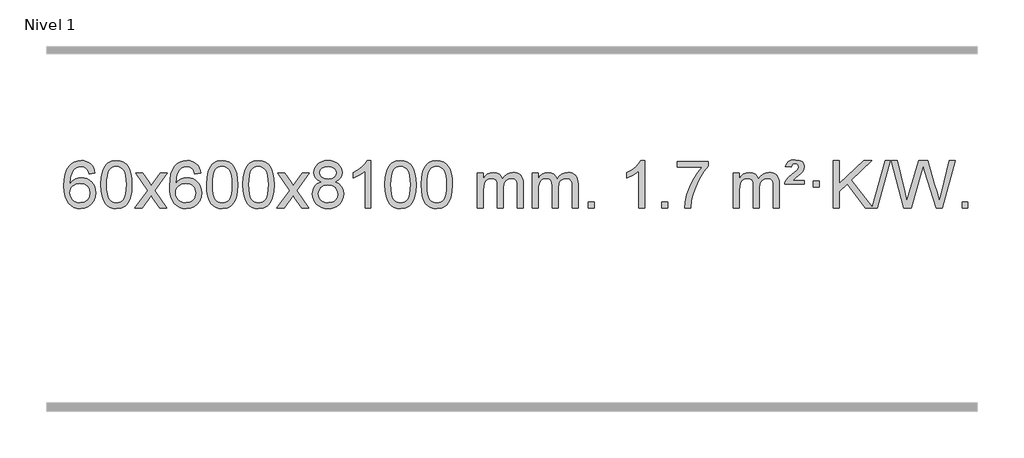
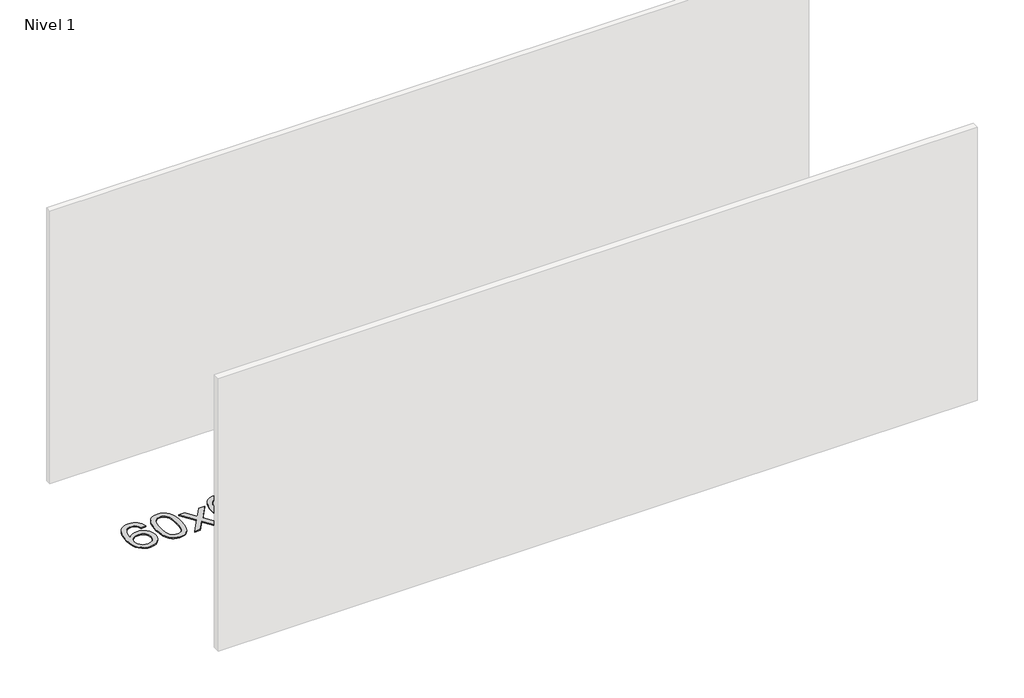
# One storey, part 12 of 16: 1 proxy.
"""IFC4 building model written with IfcOpenShell, lengths in millimetres."""

from ifc_helpers import new_model, si_unit, origin, origin_with_axes, place, context, project, spatial, polyline, outline, extrude, element, save

model = new_model("IFC4")

# Units and contexts
model_context = context("Model", 3, world=origin())
ifc_project = project(units=[si_unit("LENGTHUNIT", "METRE", prefix="MILLI")], contexts=[model_context])

# Site, building, storey
site = spatial("IfcSite", under=ifc_project)
building = spatial("IfcBuilding", under=site)
storey = spatial("IfcBuildingStorey", under=building, Name="Nivel 1", Elevation=0.0)

# Proxy
placement = place(None, origin())
element("IfcBuildingElementProxy", 1, Name="Texto de modelo 1", ObjectType="Texto de modelo 1", at=placement, inside=storey, context=model_context, shape_type="SweptSolid", body=[
    extrude(outline(polyline([(179.7310766, -6125.4890419), (129.5029215, -6131.7675613), (121.4095176, -6106.874213), (110.4711596, -6089.8780648), (87.6870014, -6074.2062918), (60.1449027, -6068.9823675), (36.7966587, -6072.0235253), (14.8218409, -6081.1469988), (-4.0505055, -6100.3627017), (-19.4647611, -6126.8134171), (-29.8758215, -6164.227016), (-33.7385825, -6216.3313693), (-13.5909119, -6192.8237098), (10.5544098, -6176.2567573), (37.3484817, -6166.434308), (65.4424034, -6163.1601582), (89.5754623, -6165.398107), (111.8445858, -6172.1119534), (132.2497738, -6183.3016975), (150.7910263, -6198.9673391), (166.1991505, -6218.1769106), (177.2049536, -6239.9984443), (183.8084354, -6264.4319401), (186.009596, -6291.4773982), (181.8647922, -6327.4439945), (169.4303807, -6360.786366), (149.7364313, -6389.0642287), (123.8130133, -6409.8372987), (92.8373493, -6422.602804), (57.9866617, -6426.8579724), (28.0441329, -6424.0375437), (1.0017406, -6415.5762579), (-23.1405153, -6401.4741147), (-44.3826349, -6381.7311143), (-61.7006798, -6355.5133908), (-74.0707119, -6321.9870783), (-81.4927311, -6281.1521768), (-83.9667375, -6233.0086864), (-81.2198853, -6179.0342663), (-72.9793286, -6132.9693092), (-59.2450675, -6094.8138149), (-40.0171019, -6064.5677835), (-19.1765868, -6044.5243462), (4.9871289, -6030.2076052), (32.4740453, -6021.6175606), (63.2841624, -6018.7542124), (86.4178085, -6020.5261773), (107.3564254, -6025.8420722), (126.1000131, -6034.7018969), (142.6485715, -6047.1056515), (156.5545109, -6062.6364031), (167.3702416, -6080.8772186), (175.0957635, -6101.8280983), (179.7310766, -6125.4890419)]), holes=[polyline([(-33.7385825, -6290.6925832), (-30.8323147, -6312.9494439), (-22.1135114, -6334.2007605), (-8.575454, -6352.472233), (8.7885762, -6365.7895612), (29.7455872, -6373.9197533), (54.062587, -6376.6298173), (87.2087548, -6371.0134855), (101.1238913, -6363.9930708), (113.2670628, -6354.1644901), (123.1171032, -6341.9262824), (130.1528464, -6327.6769865), (135.7814409, -6293.1451299), (130.2264228, -6259.9989621), (123.2826501, -6246.3781312), (113.5613684, -6234.725469), (101.3814087, -6225.3904634), (87.061602, -6218.7226022), (52.0024479, -6213.3883133), (18.905331, -6218.7226022), (-8.7716577, -6234.725469), (-19.6946873, -6246.2248471), (-27.4968513, -6259.3858254), (-32.1781497, -6274.2084042), (-33.7385825, -6290.6925832)])]), origin_with_axes(), (0.0, 0.0, 1.0), 10.0),
    extrude(outline(polyline([(229.9592317, -6222.9041943), (233.6503144, -6158.5861588), (244.7235624, -6107.2911459), (263.0686112, -6068.2343407), (274.9266742, -6053.0009605), (288.5750962, -6040.6309284), (304.0598626, -6031.0598651), (321.4269584, -6024.2233914), (361.8081387, -6018.7542124), (392.7592773, -6021.991574), (420.4730542, -6031.7036586), (443.6496199, -6047.5103217), (460.9891246, -6069.0314184), (474.0857237, -6096.0830078), (484.5335723, -6128.4811488), (491.3761774, -6169.6226186), (493.6570458, -6222.9041943), (490.0027513, -6286.8543477), (479.0398679, -6338.0267333), (460.8051836, -6377.1203266), (448.9747118, -6392.3996922), (435.3354868, -6404.8341036), (419.8323264, -6414.4695462), (402.4100483, -6421.3520052), (361.8081387, -6426.8579724), (334.1434127, -6424.4667394), (309.6179464, -6417.2930405), (288.2317397, -6405.3368757), (269.9847927, -6388.5982449), (252.4736098, -6358.3399508), (239.9656219, -6320.6381776), (232.4608292, -6275.4929255), (229.9592317, -6222.9041943)]), holes=[polyline([(280.1873867, -6222.8060924), (281.6589147, -6266.4706195), (286.0734987, -6301.8148822), (293.4311386, -6328.8388804), (303.7318344, -6347.5426142), (316.1907713, -6360.2682656), (330.0231344, -6369.3580165), (345.2289235, -6374.8118671), (361.8081387, -6376.6298173), (378.387354, -6374.8057357), (393.5931431, -6369.3334911), (407.4255061, -6360.2130833), (419.8844431, -6347.4445124), (430.1851389, -6328.7101217), (437.5427788, -6301.6922549), (441.9573628, -6266.3909118), (443.4288907, -6222.8060924), (442.0064137, -6180.2973278), (437.7389826, -6145.5753989), (430.6265973, -6118.6403055), (420.669258, -6099.4920476), (408.4187875, -6086.1440625), (394.427009, -6076.6097875), (378.6939223, -6070.8892225), (361.2195276, -6068.9823675), (344.7261514, -6070.6623619), (329.7778797, -6075.7023452), (316.3747123, -6084.1023175), (304.5166494, -6095.8622786), (293.872597, -6116.708925), (286.2697024, -6144.8151094), (281.7079657, -6180.1808319), (280.1873867, -6222.8060924)])]), origin_with_axes(), (0.0, 0.0, 1.0), 10.0),
    extrude(outline(polyline([(518.7711234, -6420.579453), (626.0945641, -6272.2494325), (525.0496427, -6125.4890419), (585.4803918, -6125.4890419), (634.2370189, -6196.122385), (656.9966517, -6229.4770192), (676.7151266, -6202.2047007), (732.2407824, -6125.4890419), (792.6715315, -6125.4890419), (686.5253132, -6272.2494325), (788.7474569, -6420.579453), (728.3167078, -6420.579453), (666.8068382, -6331.4048574), (655.5251237, -6315.1199477), (579.2018724, -6420.579453), (518.7711234, -6420.579453)])), origin_with_axes(), (0.0, 0.0, 1.0), 10.0),
    extrude(outline(polyline([(1077.5593486, -6125.4890419), (1027.3311935, -6131.7675613), (1019.2377896, -6106.874213), (1008.2994316, -6089.8780648), (985.5152734, -6074.2062918), (957.9731747, -6068.9823675), (934.6249307, -6072.0235253), (912.6501129, -6081.1469988), (893.7777665, -6100.3627017), (878.3635109, -6126.8134171), (867.9524504, -6164.227016), (864.0896895, -6216.3313693), (884.2373601, -6192.8237098), (908.3826817, -6176.2567573), (935.1767537, -6166.434308), (963.2706754, -6163.1601582), (987.4037343, -6165.398107), (1009.6728577, -6172.1119534), (1030.0780457, -6183.3016975), (1048.6192983, -6198.9673391), (1064.0274225, -6218.1769106), (1075.0332255, -6239.9984443), (1081.6367073, -6264.4319401), (1083.8378679, -6291.4773982), (1079.6930641, -6327.4439945), (1067.2586527, -6360.786366), (1047.5647032, -6389.0642287), (1021.6412853, -6409.8372987), (990.6656213, -6422.602804), (955.8149336, -6426.8579724), (925.8724049, -6424.0375437), (898.8300126, -6415.5762579), (874.6877566, -6401.4741147), (853.4456371, -6381.7311143), (836.1275922, -6355.5133908), (823.7575601, -6321.9870783), (816.3355408, -6281.1521768), (813.8615344, -6233.0086864), (816.6083866, -6179.0342663), (824.8489433, -6132.9693092), (838.5832045, -6094.8138149), (857.8111701, -6064.5677835), (878.6516851, -6044.5243462), (902.8154009, -6030.2076052), (930.3023173, -6021.6175606), (961.1124344, -6018.7542124), (984.2460805, -6020.5261773), (1005.1846974, -6025.8420722), (1023.928285, -6034.7018969), (1040.4768434, -6047.1056515), (1054.3827829, -6062.6364031), (1065.1985135, -6080.8772186), (1072.9240354, -6101.8280983), (1077.5593486, -6125.4890419)]), holes=[polyline([(864.0896895, -6290.6925832), (866.9959573, -6312.9494439), (875.7147605, -6334.2007605), (889.252818, -6352.472233), (906.6168481, -6365.7895612), (927.5738591, -6373.9197533), (951.890859, -6376.6298173), (985.0370268, -6371.0134855), (998.9521632, -6363.9930708), (1011.0953348, -6354.1644901), (1020.9453752, -6341.9262824), (1027.9811183, -6327.6769865), (1033.6097129, -6293.1451299), (1028.0546947, -6259.9989621), (1021.1109221, -6246.3781312), (1011.3896404, -6234.725469), (999.2096806, -6225.3904634), (984.889874, -6218.7226022), (949.8307198, -6213.3883133), (916.733603, -6218.7226022), (889.0566142, -6234.725469), (878.1335847, -6246.2248471), (870.3314207, -6259.3858254), (865.6501223, -6274.2084042), (864.0896895, -6290.6925832)])]), origin_with_axes(), (0.0, 0.0, 1.0), 10.0),
    extrude(outline(polyline([(1127.7875036, -6222.9041943), (1131.4785863, -6158.5861588), (1142.5518344, -6107.2911459), (1160.8968832, -6068.2343407), (1172.7549462, -6053.0009605), (1186.4033682, -6040.6309284), (1201.8881345, -6031.0598651), (1219.2552304, -6024.2233914), (1259.6364107, -6018.7542124), (1290.5875492, -6021.991574), (1318.3013262, -6031.7036586), (1341.4778919, -6047.5103217), (1358.8173966, -6069.0314184), (1371.9139956, -6096.0830078), (1382.3618443, -6128.4811488), (1389.2044494, -6169.6226186), (1391.4853178, -6222.9041943), (1387.8310233, -6286.8543477), (1376.8681398, -6338.0267333), (1358.6334556, -6377.1203266), (1346.8029838, -6392.3996922), (1333.1637588, -6404.8341036), (1317.6605984, -6414.4695462), (1300.2383202, -6421.3520052), (1259.6364107, -6426.8579724), (1231.9716847, -6424.4667394), (1207.4462183, -6417.2930405), (1186.0600117, -6405.3368757), (1167.8130647, -6388.5982449), (1150.3018817, -6358.3399508), (1137.7938939, -6320.6381776), (1130.2891012, -6275.4929255), (1127.7875036, -6222.9041943)]), holes=[polyline([(1178.0156587, -6222.8060924), (1179.4871867, -6266.4706195), (1183.9017706, -6301.8148822), (1191.2594105, -6328.8388804), (1201.5601064, -6347.5426142), (1214.0190433, -6360.2682656), (1227.8514063, -6369.3580165), (1243.0571955, -6374.8118671), (1259.6364107, -6376.6298173), (1276.215626, -6374.8057357), (1291.4214151, -6369.3334911), (1305.2537781, -6360.2130833), (1317.712715, -6347.4445124), (1328.0134109, -6328.7101217), (1335.3710508, -6301.6922549), (1339.7856347, -6266.3909118), (1341.2571627, -6222.8060924), (1339.8346857, -6180.2973278), (1335.5672545, -6145.5753989), (1328.4548693, -6118.6403055), (1318.4975299, -6099.4920476), (1306.2470595, -6086.1440625), (1292.2552809, -6076.6097875), (1276.5221943, -6070.8892225), (1259.0477995, -6068.9823675), (1242.5544234, -6070.6623619), (1227.6061517, -6075.7023452), (1214.2029843, -6084.1023175), (1202.3449213, -6095.8622786), (1191.7008689, -6116.708925), (1184.0979744, -6144.8151094), (1179.5362376, -6180.1808319), (1178.0156587, -6222.8060924)])]), origin_with_axes(), (0.0, 0.0, 1.0), 10.0),
    extrude(outline(polyline([(1435.4349535, -6222.9041943), (1439.1260362, -6158.5861588), (1450.1992842, -6107.2911459), (1468.544333, -6068.2343407), (1480.402396, -6053.0009605), (1494.050818, -6040.6309284), (1509.5355843, -6031.0598651), (1526.9026802, -6024.2233914), (1567.2838605, -6018.7542124), (1598.2349991, -6021.991574), (1625.948776, -6031.7036586), (1649.1253417, -6047.5103217), (1666.4648464, -6069.0314184), (1679.5614455, -6096.0830078), (1690.0092941, -6128.4811488), (1696.8518992, -6169.6226186), (1699.1327676, -6222.9041943), (1695.4784731, -6286.8543477), (1684.5155897, -6338.0267333), (1666.2809054, -6377.1203266), (1654.4504336, -6392.3996922), (1640.8112086, -6404.8341036), (1625.3080482, -6414.4695462), (1607.8857701, -6421.3520052), (1567.2838605, -6426.8579724), (1539.6191345, -6424.4667394), (1515.0936682, -6417.2930405), (1493.7074615, -6405.3368757), (1475.4605145, -6388.5982449), (1457.9493316, -6358.3399508), (1445.4413437, -6320.6381776), (1437.936551, -6275.4929255), (1435.4349535, -6222.9041943)]), holes=[polyline([(1485.6631085, -6222.8060924), (1487.1346365, -6266.4706195), (1491.5492205, -6301.8148822), (1498.9068604, -6328.8388804), (1509.2075562, -6347.5426142), (1521.6664931, -6360.2682656), (1535.4988562, -6369.3580165), (1550.7046453, -6374.8118671), (1567.2838605, -6376.6298173), (1583.8630758, -6374.8057357), (1599.0688649, -6369.3334911), (1612.9012279, -6360.2130833), (1625.3601648, -6347.4445124), (1635.6608607, -6328.7101217), (1643.0185006, -6301.6922549), (1647.4330846, -6266.3909118), (1648.9046125, -6222.8060924), (1647.4821355, -6180.2973278), (1643.2147043, -6145.5753989), (1636.1023191, -6118.6403055), (1626.1449798, -6099.4920476), (1613.8945093, -6086.1440625), (1599.9027308, -6076.6097875), (1584.1696441, -6070.8892225), (1566.6952493, -6068.9823675), (1550.2018732, -6070.6623619), (1535.2536015, -6075.7023452), (1521.8504341, -6084.1023175), (1509.9923712, -6095.8622786), (1499.3483188, -6116.708925), (1491.7454242, -6144.8151094), (1487.1836875, -6180.1808319), (1485.6631085, -6222.8060924)])]), origin_with_axes(), (0.0, 0.0, 1.0), 10.0),
    extrude(outline(polyline([(1724.2468452, -6420.579453), (1831.5702859, -6272.2494325), (1730.5253645, -6125.4890419), (1790.9561136, -6125.4890419), (1839.7127407, -6196.122385), (1862.4723735, -6229.4770192), (1882.1908484, -6202.2047007), (1937.7165042, -6125.4890419), (1998.1472533, -6125.4890419), (1892.001035, -6272.2494325), (1994.2231787, -6420.579453), (1933.7924296, -6420.579453), (1872.28256, -6331.4048574), (1861.0008455, -6315.1199477), (1784.6775942, -6420.579453), (1724.2468452, -6420.579453)])), origin_with_axes(), (0.0, 0.0, 1.0), 10.0),
    extrude(outline(polyline([(2098.7997672, -6199.2616447), (2071.9075933, -6186.0178929), (2053.035247, -6168.0652515), (2041.8884225, -6145.7716026), (2038.1728144, -6119.5048281), (2040.1961653, -6099.0199324), (2046.2662183, -6080.2395565), (2056.3829731, -6063.1637006), (2070.5464299, -6047.7923645), (2088.076007, -6035.088173), (2108.2911226, -6026.0137504), (2131.1917768, -6020.5690969), (2156.7779696, -6018.7542124), (2182.4867897, -6020.6120165), (2205.5591222, -6026.1854287), (2225.994967, -6035.4744491), (2243.7943242, -6048.4790776), (2258.2152984, -6064.1508506), (2268.5159943, -6081.4413044), (2274.6964118, -6100.3504389), (2276.756551, -6120.8782543), (2273.0899938, -6146.2989001), (2262.0903221, -6168.2124043), (2243.6349087, -6186.0546811), (2217.6011261, -6199.2616447), (2248.5154765, -6215.1909351), (2271.0175918, -6238.6495436), (2284.7395903, -6268.5092989), (2289.3135897, -6303.6420295), (2287.0449841, -6328.6947933), (2280.2391672, -6351.6628926), (2268.896139, -6372.5463272), (2253.0158996, -6391.3450971), (2233.4323147, -6406.88198), (2210.9792502, -6417.9797536), (2185.6567062, -6424.6384177), (2157.4646827, -6426.8579724), (2129.2726591, -6424.6292206), (2103.9501151, -6417.9429654), (2081.4970507, -6406.7992066), (2061.9134658, -6391.1979443), (2046.0332263, -6372.26735), (2034.6901981, -6351.135595), (2027.8843812, -6327.8026795), (2025.6157756, -6302.2686033), (2030.3737161, -6265.7747094), (2044.6475375, -6235.7555386), (2067.7014758, -6213.2411605), (2098.7997672, -6199.2616447)]), holes=[polyline([(2088.4009694, -6120.9763561), (2092.8523416, -6142.902123), (2106.206458, -6160.413306), (2128.0709113, -6171.8912243), (2158.0532939, -6175.717197), (2187.3367007, -6171.9157497), (2208.8700601, -6160.5114079), (2222.113812, -6143.5888361), (2226.5283959, -6123.232699), (2221.9666592, -6102.1040098), (2208.2814489, -6084.629615), (2186.4537839, -6072.8941794), (2157.4646827, -6068.9823675), (2128.2916405, -6072.8083402), (2106.5007636, -6084.2862585), (2092.925918, -6101.1107284), (2088.4009694, -6120.9763561)]), polyline([(2075.8439307, -6300.5027698), (2077.940858, -6319.7184726), (2084.2316402, -6338.3210389), (2095.8444485, -6354.5446349), (2113.9074544, -6366.623427), (2135.5389158, -6374.1282197), (2157.8570901, -6376.6298173), (2192.0455902, -6371.3691048), (2205.9392669, -6364.7932141), (2217.699228, -6355.5869672), (2233.738883, -6331.6869002), (2239.0854347, -6302.0723996), (2233.5672047, -6271.9551269), (2217.012515, -6247.5277625), (2204.9337228, -6238.0854579), (2190.770266, -6231.3409547), (2156.1893584, -6225.9453521), (2122.4791049, -6231.2673783), (2108.7417781, -6237.919911), (2097.0829845, -6247.2334569), (2081.1536941, -6271.1948375), (2075.8439307, -6300.5027698)])]), origin_with_axes(), (0.0, 0.0, 1.0), 10.0),
    extrude(outline(polyline([(2521.618807, -6420.579453), (2471.3906519, -6420.579453), (2471.3906519, -6107.4382987), (2450.4213782, -6124.3976587), (2423.8112472, -6141.3324932), (2370.9343417, -6166.6918254), (2370.9343417, -6119.2105225), (2410.3835544, -6097.7507395), (2444.5597917, -6072.219729), (2471.5010165, -6045.0700378), (2489.2451914, -6018.7542124), (2521.618807, -6018.7542124), (2521.618807, -6420.579453)])), origin_with_axes(), (0.0, 0.0, 1.0), 10.0),
    extrude(outline(polyline([(2640.9106753, -6222.9041943), (2644.601758, -6158.5861588), (2655.675006, -6107.2911459), (2674.0200548, -6068.2343407), (2685.8781178, -6053.0009605), (2699.5265398, -6040.6309284), (2715.0113061, -6031.0598651), (2732.378402, -6024.2233914), (2772.7595823, -6018.7542124), (2803.7107209, -6021.991574), (2831.4244978, -6031.7036586), (2854.6010635, -6047.5103217), (2871.9405682, -6069.0314184), (2885.0371673, -6096.0830078), (2895.4850159, -6128.4811488), (2902.327621, -6169.6226186), (2904.6084894, -6222.9041943), (2900.9541949, -6286.8543477), (2889.9913115, -6338.0267333), (2871.7566272, -6377.1203266), (2859.9261554, -6392.3996922), (2846.2869304, -6404.8341036), (2830.78377, -6414.4695462), (2813.3614919, -6421.3520052), (2772.7595823, -6426.8579724), (2745.0948563, -6424.4667394), (2720.56939, -6417.2930405), (2699.1831833, -6405.3368757), (2680.9362363, -6388.5982449), (2663.4250534, -6358.3399508), (2650.9170655, -6320.6381776), (2643.4122728, -6275.4929255), (2640.9106753, -6222.9041943)]), holes=[polyline([(2691.1388303, -6222.8060924), (2692.6103583, -6266.4706195), (2697.0249423, -6301.8148822), (2704.3825822, -6328.8388804), (2714.683278, -6347.5426142), (2727.1422149, -6360.2682656), (2740.974578, -6369.3580165), (2756.1803671, -6374.8118671), (2772.7595823, -6376.6298173), (2789.3387976, -6374.8057357), (2804.5445867, -6369.3334911), (2818.3769497, -6360.2130833), (2830.8358866, -6347.4445124), (2841.1365825, -6328.7101217), (2848.4942224, -6301.6922549), (2852.9088064, -6266.3909118), (2854.3803343, -6222.8060924), (2852.9578573, -6180.2973278), (2848.6904261, -6145.5753989), (2841.5780409, -6118.6403055), (2831.6207016, -6099.4920476), (2819.3702311, -6086.1440625), (2805.3784526, -6076.6097875), (2789.6453659, -6070.8892225), (2772.1709711, -6068.9823675), (2755.677595, -6070.6623619), (2740.7293233, -6075.7023452), (2727.3261559, -6084.1023175), (2715.468093, -6095.8622786), (2704.8240406, -6116.708925), (2697.221146, -6144.8151094), (2692.6594093, -6180.1808319), (2691.1388303, -6222.8060924)])]), origin_with_axes(), (0.0, 0.0, 1.0), 10.0),
    extrude(outline(polyline([(2948.5581251, -6222.9041943), (2952.2492078, -6158.5861588), (2963.3224558, -6107.2911459), (2981.6675047, -6068.2343407), (2993.5255676, -6053.0009605), (3007.1739897, -6040.6309284), (3022.658756, -6031.0598651), (3040.0258518, -6024.2233914), (3080.4070322, -6018.7542124), (3111.3581707, -6021.991574), (3139.0719477, -6031.7036586), (3162.2485134, -6047.5103217), (3179.5880181, -6069.0314184), (3192.6846171, -6096.0830078), (3203.1324658, -6128.4811488), (3209.9750709, -6169.6226186), (3212.2559392, -6222.9041943), (3208.6016448, -6286.8543477), (3197.6387613, -6338.0267333), (3179.4040771, -6377.1203266), (3167.5736052, -6392.3996922), (3153.9343803, -6404.8341036), (3138.4312199, -6414.4695462), (3121.0089417, -6421.3520052), (3080.4070322, -6426.8579724), (3052.7423061, -6424.4667394), (3028.2168398, -6417.2930405), (3006.8306331, -6405.3368757), (2988.5836862, -6388.5982449), (2971.0725032, -6358.3399508), (2958.5645154, -6320.6381776), (2951.0597227, -6275.4929255), (2948.5581251, -6222.9041943)]), holes=[polyline([(2998.7862802, -6222.8060924), (3000.2578082, -6266.4706195), (3004.6723921, -6301.8148822), (3012.030032, -6328.8388804), (3022.3307279, -6347.5426142), (3034.7896648, -6360.2682656), (3048.6220278, -6369.3580165), (3063.8278169, -6374.8118671), (3080.4070322, -6376.6298173), (3096.9862474, -6374.8057357), (3112.1920366, -6369.3334911), (3126.0243996, -6360.2130833), (3138.4833365, -6347.4445124), (3148.7840323, -6328.7101217), (3156.1416722, -6301.6922549), (3160.5562562, -6266.3909118), (3162.0277842, -6222.8060924), (3160.6053071, -6180.2973278), (3156.337876, -6145.5753989), (3149.2254907, -6118.6403055), (3139.2681514, -6099.4920476), (3127.017681, -6086.1440625), (3113.0259024, -6076.6097875), (3097.2928157, -6070.8892225), (3079.818421, -6068.9823675), (3063.3250449, -6070.6623619), (3048.3767731, -6075.7023452), (3034.9736058, -6084.1023175), (3023.1155428, -6095.8622786), (3012.4714904, -6116.708925), (3004.8685958, -6144.8151094), (3000.3068591, -6180.1808319), (2998.7862802, -6222.8060924)])]), origin_with_axes(), (0.0, 0.0, 1.0), 10.0),
    extrude(outline(polyline([(3425.7255983, -6420.579453), (3425.7255983, -6125.4890419), (3475.9537534, -6125.4890419), (3475.9537534, -6174.0494653), (3491.0614407, -6151.7435537), (3510.48561, -6134.2691589), (3533.5640738, -6122.9751816), (3559.6346446, -6119.2105225), (3587.5691507, -6123.048758), (3609.9609015, -6134.5634645), (3626.6872695, -6152.9943524), (3637.6256275, -6177.5811324), (3655.9338882, -6152.0439906), (3676.8173228, -6133.803175), (3700.2759313, -6122.8586857), (3726.3097138, -6119.2105225), (3746.4175306, -6120.7280358), (3764.0666693, -6125.2805755), (3779.25713, -6132.8681416), (3791.9889127, -6143.4907342), (3802.053551, -6157.2709806), (3809.2425783, -6174.3315082), (3813.5559947, -6194.6723168), (3814.9938001, -6218.2934066), (3814.9938001, -6420.579453), (3764.7656451, -6420.579453), (3764.7656451, -6239.875817), (3763.6006854, -6214.8230531), (3760.1058065, -6197.9372695), (3753.5575069, -6186.3735121), (3743.2322856, -6177.2868268), (3729.9517456, -6171.4007149), (3714.53749, -6169.4386776), (3687.3264851, -6174.4663982), (3665.1432008, -6189.54956), (3656.5378278, -6201.1194488), (3650.3911328, -6215.7182326), (3645.4737768, -6254.0024856), (3645.4737768, -6420.579453), (3595.2456217, -6420.579453), (3595.2456217, -6234.2840106), (3592.3393539, -6205.8835206), (3583.6205506, -6185.6254854), (3568.2798714, -6173.4853796), (3545.5079759, -6169.4386776), (3526.157383, -6172.1364789), (3508.327369, -6180.2298828), (3493.6120892, -6193.5226856), (3483.6056989, -6211.8186835), (3477.8667398, -6237.2025411), (3475.9537534, -6271.7589232), (3475.9537534, -6420.579453), (3425.7255983, -6420.579453)])), origin_with_axes(), (0.0, 0.0, 1.0), 10.0),
    extrude(outline(polyline([(3890.3360328, -6420.579453), (3890.3360328, -6125.4890419), (3940.5641878, -6125.4890419), (3940.5641878, -6174.0494653), (3955.6718751, -6151.7435537), (3975.0960444, -6134.2691589), (3998.1745083, -6122.9751816), (4024.245079, -6119.2105225), (4052.1795852, -6123.048758), (4074.5713359, -6134.5634645), (4091.297704, -6152.9943524), (4102.236062, -6177.5811324), (4120.5443226, -6152.0439906), (4141.4277572, -6133.803175), (4164.8863658, -6122.8586857), (4190.9201483, -6119.2105225), (4211.027965, -6120.7280358), (4228.6771037, -6125.2805755), (4243.8675644, -6132.8681416), (4256.5993471, -6143.4907342), (4266.6639854, -6157.2709806), (4273.8530127, -6174.3315082), (4278.1664291, -6194.6723168), (4279.6042346, -6218.2934066), (4279.6042346, -6420.579453), (4229.3760795, -6420.579453), (4229.3760795, -6239.875817), (4228.2111199, -6214.8230531), (4224.7162409, -6197.9372695), (4218.1679414, -6186.3735121), (4207.8427201, -6177.2868268), (4194.56218, -6171.4007149), (4179.1479244, -6169.4386776), (4151.9369195, -6174.4663982), (4129.7536352, -6189.54956), (4121.1482622, -6201.1194488), (4115.0015672, -6215.7182326), (4110.0842112, -6254.0024856), (4110.0842112, -6420.579453), (4059.8560561, -6420.579453), (4059.8560561, -6234.2840106), (4056.9497884, -6205.8835206), (4048.2309851, -6185.6254854), (4032.8903059, -6173.4853796), (4010.1184104, -6169.4386776), (3990.7678174, -6172.1364789), (3972.9378034, -6180.2298828), (3958.2225236, -6193.5226856), (3948.2161333, -6211.8186835), (3942.4771742, -6237.2025411), (3940.5641878, -6271.7589232), (3940.5641878, -6420.579453), (3890.3360328, -6420.579453)])), origin_with_axes(), (0.0, 0.0, 1.0), 10.0),
    extrude(outline(polyline([(4367.503506, -6420.579453), (4367.503506, -6370.3512979), (4417.731661, -6370.3512979), (4417.731661, -6420.579453), (4367.503506, -6420.579453)])), origin_with_axes(), (0.0, 0.0, 1.0), 10.0),
    extrude(outline(polyline([(4844.6709792, -6420.579453), (4794.4428241, -6420.579453), (4794.4428241, -6107.4382987), (4773.4735504, -6124.3976587), (4746.8634194, -6141.3324932), (4693.9865139, -6166.6918254), (4693.9865139, -6119.2105225), (4733.4357266, -6097.7507395), (4767.6119639, -6072.219729), (4794.5531887, -6045.0700378), (4812.2973636, -6018.7542124), (4844.6709792, -6018.7542124), (4844.6709792, -6420.579453)])), origin_with_axes(), (0.0, 0.0, 1.0), 10.0),
    extrude(outline(polyline([(4989.076925, -6420.579453), (4989.076925, -6370.3512979), (5039.3050801, -6370.3512979), (5039.3050801, -6420.579453), (4989.076925, -6420.579453)])), origin_with_axes(), (0.0, 0.0, 1.0), 10.0),
    extrude(outline(polyline([(5120.9258321, -6075.2608869), (5120.9258321, -6025.0327318), (5384.6236462, -6025.0327318), (5384.6236462, -6065.646904), (5347.0383691, -6113.214046), (5309.8209739, -6173.7061088), (5276.9936372, -6241.6048623), (5252.5785354, -6311.3920768), (5240.6101078, -6363.6067947), (5233.939181, -6420.579453), (5183.7110259, -6420.579453), (5189.1434167, -6368.8061935), (5203.6747555, -6307.2717985), (5226.9126349, -6242.0463207), (5258.4646473, -6179.1998132), (5295.3018978, -6122.3865704), (5334.3954912, -6075.2608869), (5120.9258321, -6075.2608869)])), origin_with_axes(), (0.0, 0.0, 1.0), 10.0),
    extrude(outline(polyline([(5598.0933053, -6420.579453), (5598.0933053, -6125.4890419), (5648.3214604, -6125.4890419), (5648.3214604, -6174.0494653), (5663.4291476, -6151.7435537), (5682.853317, -6134.2691589), (5705.9317808, -6122.9751816), (5732.0023515, -6119.2105225), (5759.9368577, -6123.048758), (5782.3286085, -6134.5634645), (5799.0549765, -6152.9943524), (5809.9933345, -6177.5811324), (5828.3015951, -6152.0439906), (5849.1850297, -6133.803175), (5872.6436383, -6122.8586857), (5898.6774208, -6119.2105225), (5918.7852375, -6120.7280358), (5936.4343763, -6125.2805755), (5951.624837, -6132.8681416), (5964.3566197, -6143.4907342), (5974.4212579, -6157.2709806), (5981.6102853, -6174.3315082), (5985.9237017, -6194.6723168), (5987.3615071, -6218.2934066), (5987.3615071, -6420.579453), (5937.133352, -6420.579453), (5937.133352, -6239.875817), (5935.9683924, -6214.8230531), (5932.4735134, -6197.9372695), (5925.9252139, -6186.3735121), (5915.5999926, -6177.2868268), (5902.3194526, -6171.4007149), (5886.905197, -6169.4386776), (5859.6941921, -6174.4663982), (5837.5109078, -6189.54956), (5828.9055348, -6201.1194488), (5822.7588397, -6215.7182326), (5817.8414837, -6254.0024856), (5817.8414837, -6420.579453), (5767.6133287, -6420.579453), (5767.6133287, -6234.2840106), (5764.7070609, -6205.8835206), (5755.9882576, -6185.6254854), (5740.6475784, -6173.4853796), (5717.8756829, -6169.4386776), (5698.52509, -6172.1364789), (5680.6950759, -6180.2298828), (5665.9797961, -6193.5226856), (5655.9734059, -6211.8186835), (5650.2344467, -6237.2025411), (5648.3214604, -6271.7589232), (5648.3214604, -6420.579453), (5598.0933053, -6420.579453)])), origin_with_axes(), (0.0, 0.0, 1.0), 10.0),
    extrude(outline(polyline([(6031.3111428, -6219.6668327), (6035.1371156, -6203.8479069), (6043.4757741, -6187.9799302), (6064.9846081, -6162.8413272), (6096.9412908, -6135.1030247), (6141.0871302, -6097.726214), (6148.2240409, -6086.1992448), (6150.6030111, -6074.3779701), (6148.7145502, -6062.2869152), (6143.0491675, -6052.5012541), (6133.6804393, -6046.026531), (6120.6819422, -6043.8682899), (6108.2475307, -6045.4869707), (6099.3938374, -6050.343013), (6092.9681652, -6059.8098431), (6087.8178173, -6075.2608869), (6037.5896622, -6068.9823675), (6048.4299183, -6043.7701881), (6065.0581845, -6026.2099542), (6088.8233614, -6015.9092583), (6121.0743496, -6012.475693), (6156.857005, -6016.6082341), (6181.6032006, -6029.0058573), (6196.0241748, -6047.3386434), (6200.8311662, -6069.2766731), (6196.7354133, -6092.1834586), (6184.4481547, -6113.8149199), (6163.9203393, -6133.6314968), (6127.4509709, -6161.6886303), (6101.846384, -6188.2742358), (6200.8311662, -6188.2742358), (6200.8311662, -6219.6668327), (6031.3111428, -6219.6668327)])), origin_with_axes(), (0.0, 0.0, 1.0), 10.0),
    extrude(outline(polyline([(6276.1733988, -6244.7809102), (6276.1733988, -6194.5527552), (6326.4015539, -6194.5527552), (6326.4015539, -6244.7809102), (6276.1733988, -6244.7809102)])), origin_with_axes(), (0.0, 0.0, 1.0), 10.0),
    extrude(outline(polyline([(6717.0431818, -6420.579453), (6563.6118644, -6217.9009991), (6495.9215773, -6282.4520265), (6495.9215773, -6420.579453), (6445.6934222, -6420.579453), (6445.6934222, -6018.7542124), (6495.9215773, -6018.7542124), (6495.9215773, -6215.4484525), (6701.9354946, -6018.7542124), (6772.1764302, -6018.7542124), (6599.2228415, -6183.9577537), (6773.8764514, -6414.5349332), (6885.1897791, -6018.7542124), (6930.5128409, -6018.7542124), (6817.499492, -6420.579453), (6778.4549496, -6420.579453), (6772.1764302, -6420.579453), (6717.0431818, -6420.579453)])), origin_with_axes(), (0.0, 0.0, 1.0), 10.0),
    extrude(outline(polyline([(7044.9977178, -6420.579453), (6935.4179342, -6018.7542124), (6987.2157191, -6018.7542124), (7050.7857278, -6282.844434), (7070.4061009, -6364.3670841), (7091.3999001, -6292.2622131), (7171.0586148, -6018.7542124), (7245.7141344, -6018.7542124), (7303.5942349, -6217.0180823), (7328.3894814, -6290.5944814), (7346.6609538, -6364.3670841), (7365.6927157, -6285.1988788), (7429.8513357, -6018.7542124), (7481.6491206, -6018.7542124), (7371.9712351, -6420.579453), (7318.3095147, -6420.579453), (7221.9734829, -6110.5775584), (7208.5335274, -6067.3146358), (7193.4258401, -6119.4067263), (7105.6246706, -6420.579453), (7044.9977178, -6420.579453)])), origin_with_axes(), (0.0, 0.0, 1.0), 10.0),
    extrude(outline(polyline([(7538.1557951, -6420.579453), (7538.1557951, -6370.3512979), (7588.3839501, -6370.3512979), (7588.3839501, -6420.579453), (7538.1557951, -6420.579453)])), origin_with_axes(), (0.0, 0.0, 1.0), 10.0),
])

save(model, "model.ifc")
